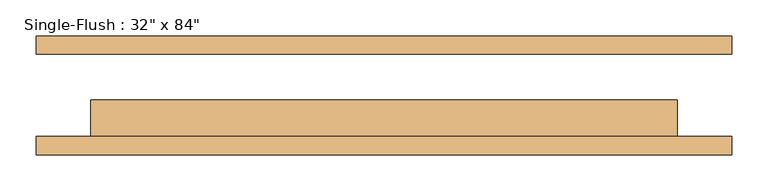
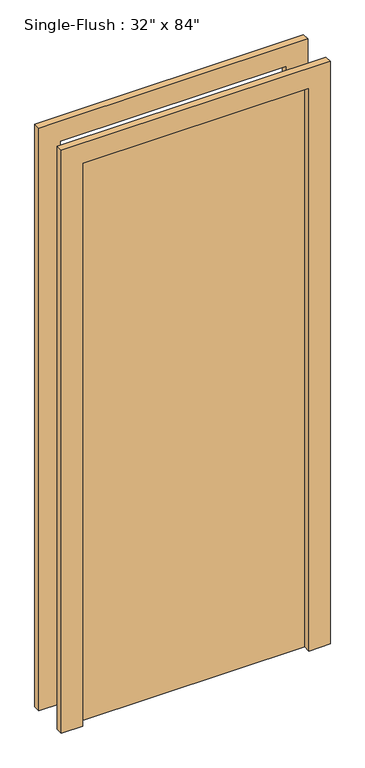
"""IFC4 building model written with IfcOpenShell, lengths in millimetres: door geometry."""

from ifc_helpers import new_model, si_unit, frame, origin, origin_with_axes, place, context, project, spatial, polyline, outline, extrude, source, transform, mapped, element, save


def door_38851409(model_context):
    return source(origin(), model_context, "Body", "SweptSolid", [
        extrude(outline(polyline([(2209.8, -482.6), (0.0, -482.6), (0.0, -406.4), (2133.6, -406.4), (2133.6, 406.4), (0.0, 406.4), (0.0, 482.6), (2209.8, 482.6), (2209.8, -482.6)])), frame((0.0, -82.55, 0.0), z_axis=(0.0, 1.0, 0.0), x_axis=(0.0, 0.0, 1.0)), (0.0, 0.0, 1.0), 25.4),
        extrude(outline(polyline([(2209.8, 482.6), (2209.8, -482.6), (0.0, -482.6), (0.0, -406.4), (2133.6, -406.4), (2133.6, 406.4), (0.0, 406.4), (0.0, 482.6), (2209.8, 482.6)])), frame((0.0, 57.15, 0.0), z_axis=(0.0, 1.0, 0.0), x_axis=(0.0, 0.0, 1.0)), (0.0, 0.0, 1.0), 25.4),
        extrude(outline(polyline([(406.4, -6.35), (406.4, -57.15), (-406.4, -57.15), (-406.4, -6.35), (406.4, -6.35)])), origin_with_axes(), (0.0, 0.0, 1.0), 2133.6),
    ])


if __name__ == "__main__":
    model = new_model("IFC4")
    model_context = context("Model", 3, world=origin())
    ifc_project = project(units=[si_unit("LENGTHUNIT", "METRE", prefix="MILLI")], contexts=[model_context])
    site = spatial("IfcSite", under=ifc_project)
    building = spatial("IfcBuilding", under=site)
    placement = place(None, origin())
    door_shape = door_38851409(model_context)
    element("IfcDoor", 1, ObjectType="Single-Flush : 32\" x 84\"", at=placement, inside=building, context=model_context, shape_type="MappedRepresentation", body=[
        mapped(door_shape, transform((0.0, 0.0, 0.0), x_axis=(1.0, 0.0, 0.0), y_axis=(0.0, 1.0, 0.0), z_axis=(0.0, 0.0, 1.0))),
    ])
    save(model, "model.ifc")
